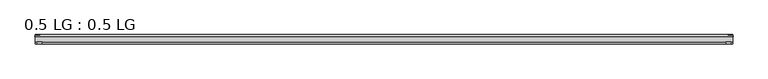
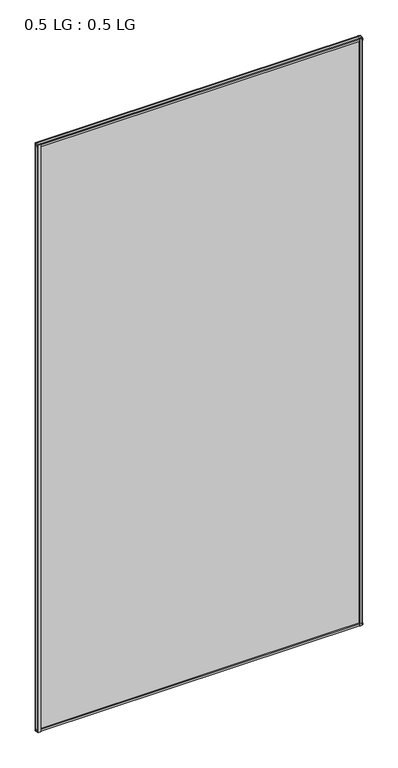
"""IFC4 building model written with IfcOpenShell, lengths in millimetres: plate geometry, 0.5 LG : 0.5 LG."""

from ifc_helpers import new_model, si_unit, frame, origin, origin_with_axes, place, context, project, spatial, polyline, outline, extrude, source, transform, mapped, element, save


def plate_0_5_lg_0_5_lg_da8b344d(model_context):
    return source(origin(), model_context, "Body", "SweptSolid", [
        extrude(outline(polyline([(-843.2139513, 16.9767247), (-844.4235412, 21.828125), (-830.8660345, 21.828125), (-832.0756244, 16.9767247), (-843.2139513, 16.9767247)])), origin_with_axes(), (0.0, 0.0, 1.0), 3239.3989624),
        extrude(outline(polyline([(-848.6599387, 34.680525), (-847.4221258, 39.4557249), (-836.3096173, 39.4557249), (-835.0958142, 34.680525), (-848.6599387, 34.680525)])), origin_with_axes(), (0.0, 0.0, 1.0), 3239.3989624),
        extrude(outline(polyline([(843.2139513, 16.9767247), (832.0756244, 16.9767247), (830.8660345, 21.828125), (844.4235412, 21.828125), (843.2139513, 16.9767247)])), origin_with_axes(), (0.0, 0.0, 1.0), 3239.3989624),
        extrude(outline(polyline([(848.6599387, 34.680525), (835.0958142, 34.680525), (836.3096173, 39.4557249), (847.4221258, 39.4557249), (848.6599387, 34.680525)])), origin_with_axes(), (0.0, 0.0, 1.0), 3239.3989624),
        extrude(outline(polyline([(39.4569539, 11.124921), (39.4569539, 0.0005878), (34.680525, -1.2138382), (34.680525, 12.3392211), (39.4569539, 11.124921)])), frame((-847.4221258, 0.0, 0.0), z_axis=(1.0, 0.0, 0.0), x_axis=(0.0, 1.0, 0.0)), (0.0, 0.0, 1.0), 1694.8442516),
        extrude(outline(polyline([(16.9767101, 13.8303088), (21.828125, 15.0636853), (21.828125, 1.4714303), (16.9767101, 2.704584), (16.9767101, 13.8303088)])), frame((-847.4221258, 0.0, 0.0), z_axis=(1.0, 0.0, 0.0), x_axis=(0.0, 1.0, 0.0)), (0.0, 0.0, 1.0), 1694.8442516),
        extrude(outline(polyline([(39.4569539, 3228.2740415), (34.680525, 3227.0597414), (34.680525, 3240.6128006), (39.4569539, 3239.3983746), (39.4569539, 3228.2740415)])), frame((-847.4221258, 0.0, 0.0), z_axis=(1.0, 0.0, 0.0), x_axis=(0.0, 1.0, 0.0)), (0.0, 0.0, 1.0), 1694.8442516),
        extrude(outline(polyline([(16.9767101, 3225.5686536), (16.9767101, 3236.6943785), (21.828125, 3237.9275321), (21.828125, 3224.3352771), (16.9767101, 3225.5686536)])), frame((-847.4221258, 0.0, 0.0), z_axis=(1.0, 0.0, 0.0), x_axis=(0.0, 1.0, 0.0)), (0.0, 0.0, 1.0), 1694.8442516),
        extrude(outline(polyline([(847.4221258, 34.680525), (847.4221258, 21.828125), (-847.4221258, 21.828125), (-847.4221258, 34.680525), (847.4221258, 34.680525)])), origin_with_axes(), (0.0, 0.0, 1.0), 3239.3989624),
    ])


if __name__ == "__main__":
    model = new_model("IFC4")
    model_context = context("Model", 3, world=origin())
    ifc_project = project(units=[si_unit("LENGTHUNIT", "METRE", prefix="MILLI")], contexts=[model_context])
    site = spatial("IfcSite", under=ifc_project)
    building = spatial("IfcBuilding", under=site)
    placement = place(None, origin())
    plate_0_5_lg_0_5_lg_shape = plate_0_5_lg_0_5_lg_da8b344d(model_context)
    element("IfcPlate", 1, ObjectType="0.5 LG : 0.5 LG", at=placement, inside=building, context=model_context, shape_type="MappedRepresentation", body=[
        mapped(plate_0_5_lg_0_5_lg_shape, transform((0.0, 0.0, 0.0), x_axis=(1.0, 0.0, 0.0), y_axis=(0.0, 1.0, 0.0), z_axis=(0.0, 0.0, 1.0))),
    ])
    save(model, "model.ifc")
